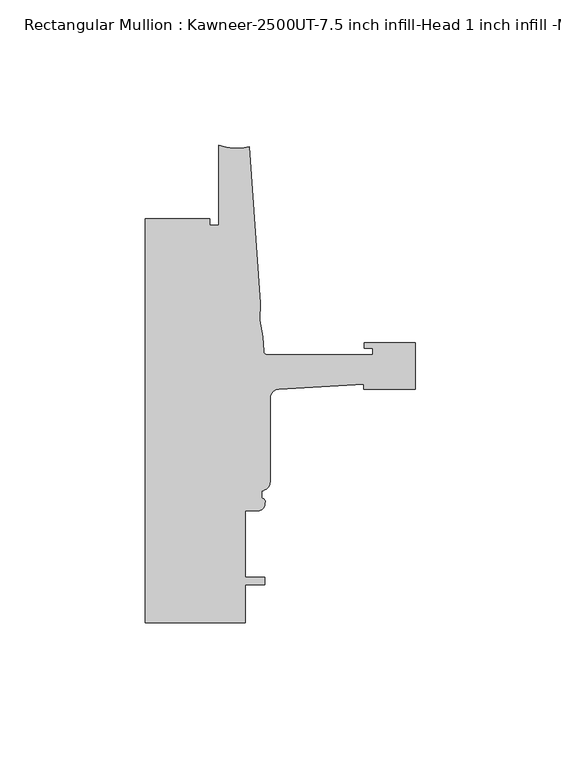
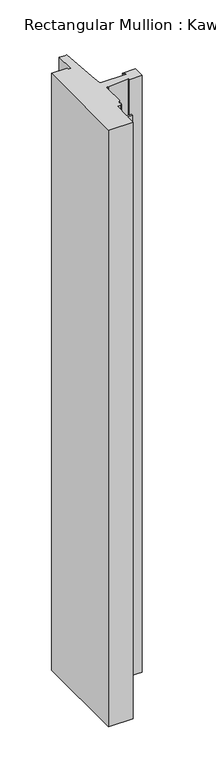
"""IFC4 building model written with IfcOpenShell, lengths in millimetres: member geometry, Rectangular Mullion : Kawneer-2500UT-7.5 inch infill-Head 1 inch infill -MODEL."""

from ifc_helpers import new_model, si_unit, point, frame, frame_2d, origin, place, context, project, spatial, polyline, circle_curve, trimmed, segment, composite_curve, outline, extrude, source, transform, mapped, element, save


def rectangular_mullion_kawneer_2500ut_7_5_inch_infill_head_1_f6d918f4(model_context):
    return source(origin(), model_context, "Body", "SweptSolid", [
        extrude(outline(composite_curve([segment(polyline([(-17.9118541, -69.7206423), (-47.0897067, -71.4596926)]), True, "CONTINUOUS"), segment(trimmed(circle_curve(frame_2d((-46.9265, -74.6304951)), 3.175), [point((-47.0897067, -71.4596926))], [point((-50.1015, -74.6304951))], True, "CARTESIAN"), True, "CONTINUOUS"), segment(polyline([(-50.1015, -74.6304951), (-50.1015, -103.3419824)]), True, "CONTINUOUS"), segment(trimmed(circle_curve(frame_2d((-53.2765, -103.3419824)), 3.175), [point((-50.1015, -103.3419824))], [point((-53.0225002, -106.5068061))], False, "CARTESIAN"), True, "CONTINUOUS"), segment(polyline([(-53.0225002, -106.5068061), (-53.0225002, -109.1460704)]), True, "CONTINUOUS"), segment(trimmed(circle_curve(frame_2d((-52.9049287, -110.2079631)), 1.0683816), [point((-53.0225002, -109.1460704))], [point((-51.903048, -110.5790079))], False, "CARTESIAN"), True, "CONTINUOUS"), segment(trimmed(circle_curve(frame_2d((-54.4195002, -110.9240703)), 2.5399999), [point((-51.903048, -110.5790079))], [point((-54.4195002, -113.4640702))], False, "CARTESIAN"), True, "CONTINUOUS"), segment(polyline([(-54.4195002, -113.4640702), (-58.7375, -113.4640702), (-58.7375, -136.3240702), (-51.8795003, -136.3240702), (-51.8795003, -138.8640702), (-58.7375, -138.8640702), (-58.7375, -151.9078694), (-93.2286109, -151.9078694), (-93.2286109, -12.7163219), (-71.0036575, -12.7158694), (-71.0036109, -15.0018694), (-67.8287241, -15.0018694), (-67.8287241, 12.6841306)]), True, "CONTINUOUS"), segment(trimmed(circle_curve(frame_2d((-61.5737839, 28.2172105)), 16.7451739), [point((-67.8287241, 12.6841306))], [point((-57.2987828, 12.026929))], True, "CARTESIAN"), True, "CONTINUOUS"), segment(polyline([(-57.2987828, 12.026929), (-53.5273008, -41.9075277)]), True, "CONTINUOUS"), segment(trimmed(circle_curve(frame_2d((-22.6573046, -45.5360124)), 31.0825122), [point((-53.5273008, -41.9075277))], [point((-52.7218885, -53.4254588))], True, "CARTESIAN"), True, "CONTINUOUS"), segment(polyline([(-52.7218885, -53.4254588), (-52.3871825, -58.2119783)]), True, "CONTINUOUS"), segment(trimmed(circle_curve(frame_2d((-50.8668948, -58.1056694)), 1.524), [point((-52.3871825, -58.2119783))], [point((-50.8668948, -59.6296694))], True, "CARTESIAN"), True, "CONTINUOUS"), segment(polyline([(-50.8668948, -59.6296694), (-14.783487, -59.6296694), (-14.783487, -57.2928693), (-17.6377748, -57.2928693), (-17.6377748, -55.5148693), (0.0, -55.5148693), (0.0, -71.5168692), (-17.9118541, -71.5168692), (-17.9118541, -69.7206423)]), True, "CONTINUOUS")], self_intersect=False)), frame((0.0, 0.0, -885.8296567), z_axis=(0.0, 0.0, 1.0), x_axis=(1.0, 0.0, 0.0)), (0.0, 0.0, 1.0), 885.8296567),
    ])


if __name__ == "__main__":
    model = new_model("IFC4")
    model_context = context("Model", 3, world=origin())
    ifc_project = project(units=[si_unit("LENGTHUNIT", "METRE", prefix="MILLI")], contexts=[model_context])
    site = spatial("IfcSite", under=ifc_project)
    building = spatial("IfcBuilding", under=site)
    placement = place(None, origin())
    rectangular_mullion_kawneer_2500ut_7_5_inch_infill_head_1_shape = rectangular_mullion_kawneer_2500ut_7_5_inch_infill_head_1_f6d918f4(model_context)
    element("IfcMember", 1, ObjectType="Rectangular Mullion : Kawneer-2500UT-7.5 inch infill-Head 1 inch infill -MODEL", at=placement, inside=building, context=model_context, shape_type="MappedRepresentation", body=[
        mapped(rectangular_mullion_kawneer_2500ut_7_5_inch_infill_head_1_shape, transform((0.0, 0.0, 0.0), x_axis=(1.0, 0.0, 0.0), y_axis=(0.0, 1.0, 0.0), z_axis=(0.0, 0.0, 1.0))),
    ])
    save(model, "model.ifc")
